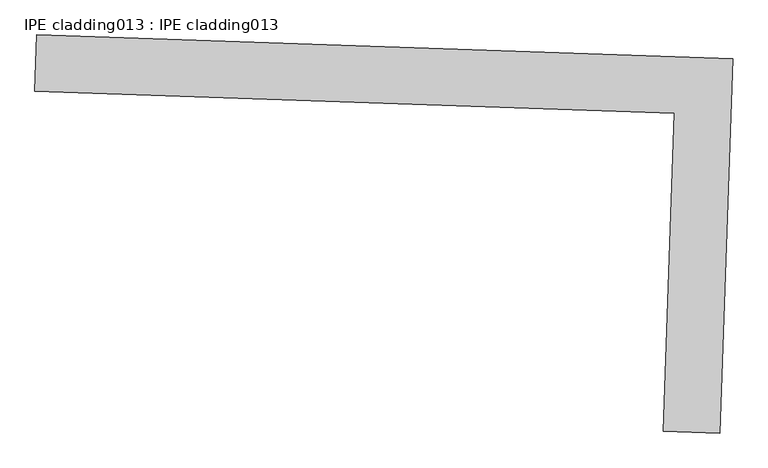
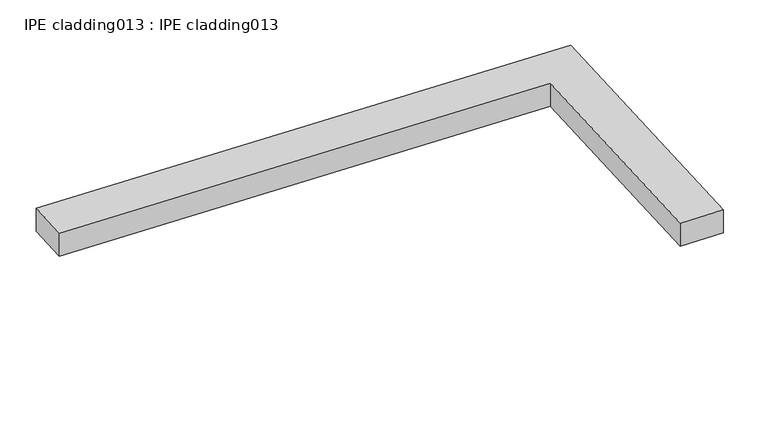
"""IFC4 building model written with IfcOpenShell, lengths in millimetres: proxy geometry, IPE cladding013 : IPE cladding013."""

from ifc_helpers import new_model, si_unit, frame, origin, place, context, project, spatial, polyline, outline, extrude, source, transform, mapped, element, save


def ipe_cladding013_ipe_cladding013_2b9edc72(model_context):
    return source(origin(), model_context, "Body", "SweptSolid", [
        extrude(outline(polyline([(17306.5036743, -14579.7358993), (17309.5442112, -14490.8879104), (18404.9713728, -14528.375383), (18384.8189496, -15117.2524216), (18295.9709605, -15114.2118849), (18313.0828472, -14614.182835), (17306.5036743, -14579.7358993)])), frame((0.0, 0.0, 1547.175707), z_axis=(0.0, 0.0, 1.0), x_axis=(1.0, 0.0, 0.0)), (0.0, 0.0, 1.0), 50.8),
    ])


if __name__ == "__main__":
    model = new_model("IFC4")
    model_context = context("Model", 3, world=origin())
    ifc_project = project(units=[si_unit("LENGTHUNIT", "METRE", prefix="MILLI")], contexts=[model_context])
    site = spatial("IfcSite", under=ifc_project)
    building = spatial("IfcBuilding", under=site)
    placement = place(None, origin())
    ipe_cladding013_ipe_cladding013_shape = ipe_cladding013_ipe_cladding013_2b9edc72(model_context)
    element("IfcBuildingElementProxy", 1, Name="IPE cladding013 : IPE cladding013", ObjectType="IPE cladding013 : IPE cladding013", at=placement, inside=building, context=model_context, shape_type="MappedRepresentation", body=[
        mapped(ipe_cladding013_ipe_cladding013_shape, transform((0.0, 0.0, 0.0), x_axis=(1.0, 0.0, 0.0), y_axis=(0.0, 1.0, 0.0), z_axis=(0.0, 0.0, 1.0))),
    ])
    save(model, "model.ifc")
